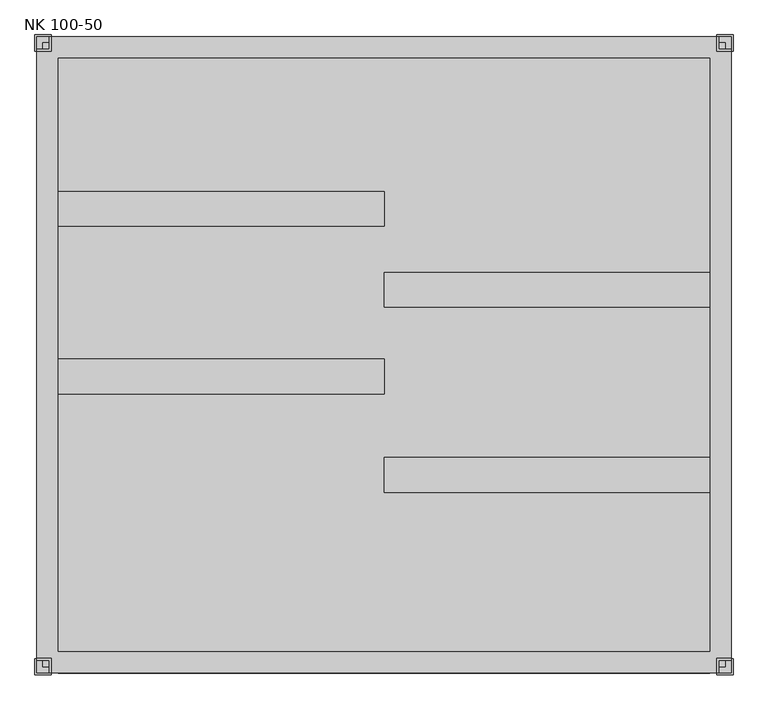
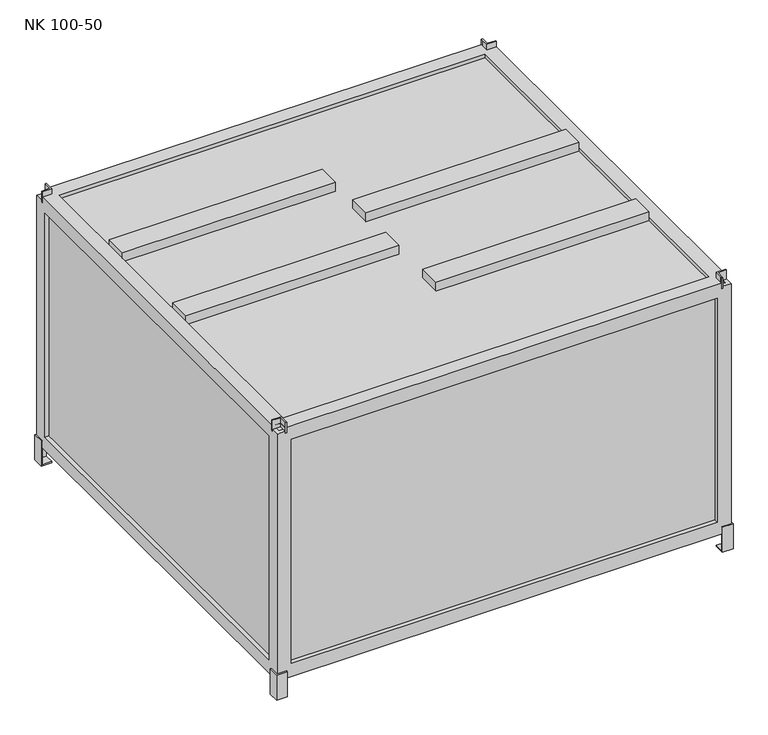
"""IFC4 building model written with IfcOpenShell, lengths in millimetres: proxy geometry, NK 100-50."""

from ifc_helpers import new_model, si_unit, frame, origin, place, context, project, spatial, polyline, outline, extrude, faceted_brep, source, transform, mapped, element, save


def nk_100_50_5aa08a9f(model_context):
    return source(origin(), model_context, "Body", "SolidModel", [
        faceted_brep([(575.0, -525.0, 765.0), (575.0, -543.3098065, 765.0), (575.0, -550.0, 765.0), (578.0, -550.0, 765.0), (578.0, -528.0, 765.0), (600.0, -528.0, 765.0), (600.0, -525.0, 765.0), (575.0, -525.0, 735.0), (600.0, -525.0, 735.0), (600.0, -528.0, 735.0), (578.0, -528.0, 735.0), (578.0, -550.0, 735.0), (575.0, -550.0, 735.0), (575.0, -543.3098065, 735.0), (578.0, -550.0, 750.0), (578.0, -528.0, 750.0), (600.0, -528.0, 750.0)], [[[0, 1, 2, 3, 4, 5, 6]], [[7, 8, 9, 10, 11, 12, 13]], [[1, 0, 7, 13]], [[2, 1, 13, 12]], [[3, 2, 12, 11, 14]], [[4, 3, 14, 11, 10, 15]], [[5, 4, 15, 10, 9, 16]], [[6, 5, 16, 9, 8]], [[0, 6, 8, 7]]]),
        faceted_brep([(575.0, 525.0, 765.0), (600.0, 525.0, 765.0), (600.0, 528.0, 765.0), (578.0, 528.0, 765.0), (578.0, 550.0, 765.0), (575.0, 550.0, 765.0), (575.0, 543.3098065, 765.0), (575.0, 525.0, 735.0), (575.0, 543.3098065, 735.0), (575.0, 550.0, 735.0), (578.0, 550.0, 735.0), (578.0, 528.0, 735.0), (600.0, 528.0, 735.0), (600.0, 525.0, 735.0), (578.0, 550.0, 750.0), (578.0, 528.0, 750.0), (600.0, 528.0, 750.0)], [[[0, 1, 2, 3, 4, 5, 6]], [[7, 8, 9, 10, 11, 12, 13]], [[6, 8, 7, 0]], [[5, 9, 8, 6]], [[4, 14, 10, 9, 5]], [[3, 15, 11, 10, 14, 4]], [[2, 16, 12, 11, 15, 3]], [[1, 13, 12, 16, 2]], [[0, 7, 13, 1]]]),
        faceted_brep([(-575.0, -525.0, 765.0), (-600.0, -525.0, 765.0), (-600.0, -528.0, 765.0), (-578.0, -528.0, 765.0), (-578.0, -550.0, 765.0), (-575.0, -550.0, 765.0), (-575.0, -543.3098065, 765.0), (-575.0, -525.0, 735.0), (-575.0, -543.3098065, 735.0), (-575.0, -550.0, 735.0), (-578.0, -550.0, 735.0), (-578.0, -528.0, 735.0), (-600.0, -528.0, 735.0), (-600.0, -525.0, 735.0), (-578.0, -550.0, 750.0), (-578.0, -528.0, 750.0), (-600.0, -528.0, 750.0)], [[[0, 1, 2, 3, 4, 5, 6]], [[7, 8, 9, 10, 11, 12, 13]], [[6, 8, 7, 0]], [[5, 9, 8, 6]], [[4, 14, 10, 9, 5]], [[3, 15, 11, 10, 14, 4]], [[2, 16, 12, 11, 15, 3]], [[1, 13, 12, 16, 2]], [[0, 7, 13, 1]]]),
        faceted_brep([(-575.0, 525.0, 765.0), (-575.0, 543.3098065, 765.0), (-575.0, 550.0, 765.0), (-578.0, 550.0, 765.0), (-578.0, 528.0, 765.0), (-600.0, 528.0, 765.0), (-600.0, 525.0, 765.0), (-575.0, 525.0, 735.0), (-600.0, 525.0, 735.0), (-600.0, 528.0, 735.0), (-578.0, 528.0, 735.0), (-578.0, 550.0, 735.0), (-575.0, 550.0, 735.0), (-575.0, 543.3098065, 735.0), (-578.0, 550.0, 750.0), (-578.0, 528.0, 750.0), (-600.0, 528.0, 750.0)], [[[0, 1, 2, 3, 4, 5, 6]], [[7, 8, 9, 10, 11, 12, 13]], [[1, 0, 7, 13]], [[2, 1, 13, 12]], [[3, 2, 12, 11, 14]], [[4, 3, 14, 11, 10, 15]], [[5, 4, 15, 10, 9, 16]], [[6, 5, 16, 9, 8]], [[0, 6, 8, 7]]]),
        faceted_brep([(602.9999993, -525.0, 70.0), (599.9999993, -525.0, 70.0), (599.9999993, -550.0, 70.0), (574.9999993, -550.0, 70.0), (574.9999993, -553.0, 70.0), (602.9999993, -553.0, 70.0), (602.9999993, -525.0, 0.0), (602.9999993, -553.0, 0.0), (574.9999993, -553.0, 0.0), (574.978616, -524.9647196, 0.0), (574.978616, -525.0, 3.0), (599.9999993, -525.0, 3.0), (599.9999993, -550.0, 3.0), (574.9999993, -550.0, 3.0), (602.9999993, -553.0, 3.0)], [[[0, 1, 2, 3, 4, 5]], [[6, 7, 8, 9]], [[1, 0, 6, 9, 10, 11]], [[2, 1, 11, 12]], [[3, 2, 12, 13]], [[4, 3, 13, 10, 9, 8]], [[5, 4, 8, 7, 14]], [[6, 0, 5, 14, 7]], [[11, 10, 13, 12]]]),
        faceted_brep([(-602.9999993, -525.0, 70.0), (-602.9999993, -553.0, 70.0), (-574.9999993, -553.0, 70.0), (-574.9999993, -550.0, 70.0), (-599.9999993, -550.0, 70.0), (-599.9999993, -525.0, 70.0), (-602.9999993, -525.0, 0.0), (-574.978616, -524.9647196, 0.0), (-574.9999993, -553.0, 0.0), (-602.9999993, -553.0, 0.0), (-599.9999993, -525.0, 3.0), (-574.978616, -525.0, 3.0), (-599.9999993, -550.0, 3.0), (-574.9999993, -550.0, 3.0), (-602.9999993, -553.0, 3.0)], [[[0, 1, 2, 3, 4, 5]], [[6, 7, 8, 9]], [[5, 10, 11, 7, 6, 0]], [[4, 12, 10, 5]], [[3, 13, 12, 4]], [[2, 8, 7, 11, 13, 3]], [[1, 14, 9, 8, 2]], [[6, 9, 14, 1, 0]], [[10, 12, 13, 11]]]),
        faceted_brep([(602.9999993, 525.0, 70.0), (602.9999993, 553.0, 70.0), (574.9999993, 553.0, 70.0), (574.9999993, 550.0, 70.0), (599.9999993, 550.0, 70.0), (599.9999993, 525.0, 70.0), (602.9999993, 525.0, 0.0), (574.978616, 524.9647196, 0.0), (574.9999993, 553.0, 0.0), (602.9999993, 553.0, 0.0), (599.9999993, 525.0, 3.0), (574.978616, 525.0, 3.0), (599.9999993, 550.0, 3.0), (574.9999993, 550.0, 3.0), (602.9999993, 553.0, 3.0)], [[[0, 1, 2, 3, 4, 5]], [[6, 7, 8, 9]], [[5, 10, 11, 7, 6, 0]], [[4, 12, 10, 5]], [[3, 13, 12, 4]], [[2, 8, 7, 11, 13, 3]], [[1, 14, 9, 8, 2]], [[6, 9, 14, 1, 0]], [[10, 12, 13, 11]]]),
        faceted_brep([(-602.9999993, 525.0, 70.0), (-599.9999993, 525.0, 70.0), (-599.9999993, 550.0, 70.0), (-574.9999993, 550.0, 70.0), (-574.9999993, 553.0, 70.0), (-602.9999993, 553.0, 70.0), (-602.9999993, 525.0, 0.0), (-602.9999993, 553.0, 0.0), (-574.9999993, 553.0, 0.0), (-574.978616, 524.9647196, 0.0), (-574.978616, 525.0, 3.0), (-599.9999993, 525.0, 3.0), (-599.9999993, 550.0, 3.0), (-574.9999993, 550.0, 3.0), (-602.9999993, 553.0, 3.0)], [[[0, 1, 2, 3, 4, 5]], [[6, 7, 8, 9]], [[1, 0, 6, 9, 10, 11]], [[2, 1, 11, 12]], [[3, 2, 12, 13]], [[4, 3, 13, 10, 9, 8]], [[5, 4, 8, 7, 14]], [[6, 0, 5, 14, 7]], [[11, 10, 13, 12]]]),
        extrude(outline(polyline([(0.0, -67.4999993), (-562.4999993, -67.4999993), (-562.4999993, -7.4999993), (0.0, -7.4999993), (0.0, -67.4999993)])), frame((0.0, 0.0, 397.064288), z_axis=(0.0, 0.0, 1.0), x_axis=(1.0, 0.0, 0.0)), (0.0, 0.0, 1.0), 367.935712),
        extrude(outline(polyline([(562.4999993, 142.5000007), (562.4999993, 82.5000007), (0.0, 82.5000007), (0.0, 142.5000007), (562.4999993, 142.5000007)])), frame((0.0, 0.0, 397.064288), z_axis=(0.0, 0.0, 1.0), x_axis=(1.0, 0.0, 0.0)), (0.0, 0.0, 1.0), 367.935712),
        extrude(outline(polyline([(562.4999993, -177.4999993), (562.4999993, -237.4999993), (0.0, -237.4999993), (0.0, -177.4999993), (562.4999993, -177.4999993)])), frame((0.0, 0.0, 397.064288), z_axis=(0.0, 0.0, 1.0), x_axis=(1.0, 0.0, 0.0)), (0.0, 0.0, 1.0), 367.935712),
        extrude(outline(polyline([(0.0, 222.5000007), (-562.4999993, 222.5000007), (-562.4999993, 282.5000007), (0.0, 282.5000007), (0.0, 222.5000007)])), frame((0.0, 0.0, 397.064288), z_axis=(0.0, 0.0, 1.0), x_axis=(1.0, 0.0, 0.0)), (0.0, 0.0, 1.0), 367.935712),
        faceted_brep([(589.9999993, -512.5, 712.5), (599.9999993, -512.5, 712.5), (599.9999993, -512.5, 87.5), (589.9999993, -512.5, 87.5), (599.9999993, 512.5, 87.5), (589.999999, 512.4999993, 87.5), (589.9999993, 512.5, 712.5), (600.0, 512.4999993, 712.5), (562.4999993, 512.4999993, 60.000001), (562.4999993, 512.4999993, 50.0), (562.4999993, -512.4999993, 50.0), (562.4999993, -512.4999993, 60.000001), (562.4999993, 512.4999993, 750.0), (562.4999993, 512.4999993, 739.999999), (562.4999993, -512.4999993, 739.999999), (562.4999993, -512.4999993, 750.0), (562.4999993, -550.0, 87.5), (562.4999993, -550.0, 712.5), (562.4999993, -539.999999, 712.5), (562.4999993, -539.999999, 87.5), (-562.5, -549.9999993, 87.5), (-562.5, -539.9999993, 87.5), (-562.5, -549.9999993, 712.5), (-562.4999993, -539.999999, 712.5), (-562.4999993, -512.4999993, 50.0), (-562.4999993, -512.4999993, 60.000001), (-562.4999993, -512.4999993, 750.0), (-562.4999993, -512.4999993, 739.999999), (600.0, -550.0, 50.0), (600.0, 549.9999993, 50.0), (600.0, 549.9999993, 740.0), (600.0, 528.0, 740.0), (600.0, 528.0, 750.0), (600.0, -528.0, 750.0), (600.0, -528.0, 740.0), (600.0, -550.0, 740.0), (562.5, 539.9999993, 712.5), (562.5, 549.9999993, 712.5), (562.5, 549.9999993, 87.5), (562.5, 539.9999993, 87.5), (589.999999, 539.9999993, 739.999999), (589.999999, 539.9999993, 60.000001), (589.999999, -539.999999, 60.000001), (589.999999, -539.999999, 739.999999), (589.999999, -528.0, 740.0), (589.999999, 528.0, 739.999999), (-600.0, 549.9999993, 50.0), (-599.9999993, -550.0, 50.0), (-562.4999993, 512.4999993, 50.0), (-562.5, 549.9999993, 87.5), (-562.5, 539.9999993, 87.5), (-589.999999, 539.9999993, 60.000001), (-589.9999993, -539.999999, 60.000001), (-562.4999993, 512.4999993, 60.000001), (-600.0, 549.9999993, 740.0), (-600.0, -550.0, 740.0), (-600.0, -528.0, 740.0), (-600.0, -528.0, 750.0), (-600.0, 528.0, 750.0), (-600.0, 528.0, 740.0), (-600.0, -512.5, 87.5), (-600.0, 512.5, 87.5), (-600.0, 512.4999993, 712.5), (-600.0, -512.5, 712.5), (-562.5, 549.9999993, 712.5), (-562.5, 539.9999993, 712.5), (-589.999999, 539.9999993, 739.999999), (-589.999999, 528.0, 740.0), (-589.999999, -528.0, 739.999999), (-589.999999, -539.999999, 740.0), (-589.999999, 512.5, 87.5), (-589.999999, -512.5, 87.5), (-589.999999, -512.5, 712.5), (-589.999999, 512.5, 712.5), (-578.0, 549.9999993, 750.0), (-578.0, 528.0, 750.0), (-578.0, -528.0, 750.0), (-578.0, -550.0, 750.0), (578.0, -550.0, 750.0), (578.0, -528.0, 750.0), (578.0, 528.0, 750.0), (578.0, 549.9999993, 750.0), (-562.4999993, 512.4999993, 750.0), (-578.0, 549.9999993, 740.0), (578.0, 549.9999993, 740.0), (578.0, 539.9999993, 740.0), (-578.0, 539.9999993, 739.999999), (-578.0, 528.0, 739.999999), (578.0, 528.0, 739.999999), (578.0, -528.0, 739.999999), (578.0, -539.999999, 739.999999), (-578.0, -539.999999, 739.999999), (-578.0, -528.0, 739.999999), (-562.4999993, 512.4999993, 739.999999), (578.0, -550.0, 740.0), (-578.0, -550.0, 740.0)], [[[0, 1, 2, 3]], [[3, 2, 4, 5]], [[1, 0, 6, 7]], [[8, 9, 10, 11]], [[12, 13, 14, 15]], [[16, 17, 18, 19]], [[20, 16, 19, 21]], [[17, 22, 23, 18]], [[10, 24, 25, 11]], [[26, 15, 14, 27]], [[28, 29, 30, 31, 32, 33, 34, 35], [2, 1, 7, 4]], [[36, 37, 38, 39]], [[40, 41, 42, 43, 44, 45], [0, 3, 5, 6]], [[46, 29, 28, 47], [9, 48, 24, 10]], [[39, 38, 49, 50]], [[41, 51, 52, 42], [53, 8, 11, 25]], [[54, 46, 47, 55, 56, 57, 58, 59], [60, 61, 62, 63]], [[50, 49, 64, 65]], [[51, 66, 67, 68, 69, 52], [70, 71, 72, 73]], [[74, 75, 58, 57, 76, 77, 78, 79, 33, 32, 80, 81], [82, 12, 15, 26]], [[46, 54, 83, 74, 81, 84, 30, 29], [38, 37, 64, 49]], [[37, 36, 65, 64]], [[41, 40, 85, 86, 66, 51], [36, 39, 50, 65]], [[87, 86, 85, 88, 45, 44, 89, 90, 91, 92, 68, 67], [13, 93, 27, 14]], [[4, 7, 6, 5]], [[62, 61, 70, 73]], [[53, 48, 9, 8]], [[82, 93, 13, 12]], [[61, 60, 71, 70]], [[47, 28, 35, 94, 78, 77, 95, 55], [16, 20, 22, 17]], [[71, 60, 63, 72]], [[52, 69, 91, 90, 43, 42], [21, 19, 18, 23]], [[72, 63, 62, 73]], [[48, 53, 25, 24]], [[93, 82, 26, 27]], [[22, 20, 21, 23]], [[83, 86, 87, 75, 74]], [[75, 87, 67, 59, 58]], [[86, 83, 54, 59, 67, 66]], [[76, 92, 91, 95, 77]], [[92, 76, 57, 56, 68]], [[95, 91, 69, 68, 56, 55]], [[80, 88, 85, 84, 81]], [[88, 80, 32, 31, 45]], [[84, 85, 40, 45, 31, 30]], [[94, 90, 89, 79, 78]], [[79, 89, 44, 34, 33]], [[90, 94, 35, 34, 44, 43]]]),
        extrude(outline(polyline([(590.0, 540.0), (590.0, -540.0), (-590.0, -540.0), (-590.0, 540.0), (590.0, 540.0)])), frame((0.0, 0.0, 60.0), z_axis=(0.0, 0.0, 1.0), x_axis=(1.0, 0.0, 0.0)), (0.0, 0.0, 1.0), 680.0),
    ])


if __name__ == "__main__":
    model = new_model("IFC4")
    model_context = context("Model", 3, world=origin())
    ifc_project = project(units=[si_unit("LENGTHUNIT", "METRE", prefix="MILLI")], contexts=[model_context])
    site = spatial("IfcSite", under=ifc_project)
    building = spatial("IfcBuilding", under=site)
    placement = place(None, origin())
    nk_100_50_shape = nk_100_50_5aa08a9f(model_context)
    element("IfcBuildingElementProxy", 1, Name="NK 100-50", ObjectType="NK 100-50", at=placement, inside=building, context=model_context, shape_type="MappedRepresentation", body=[
        mapped(nk_100_50_shape, transform((0.0, 0.0, 0.0), x_axis=(1.0, 0.0, 0.0), y_axis=(0.0, 1.0, 0.0), z_axis=(0.0, 0.0, 1.0))),
    ])
    save(model, "model.ifc")
